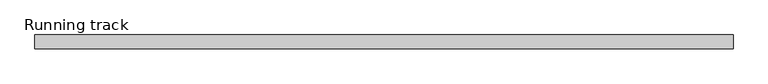
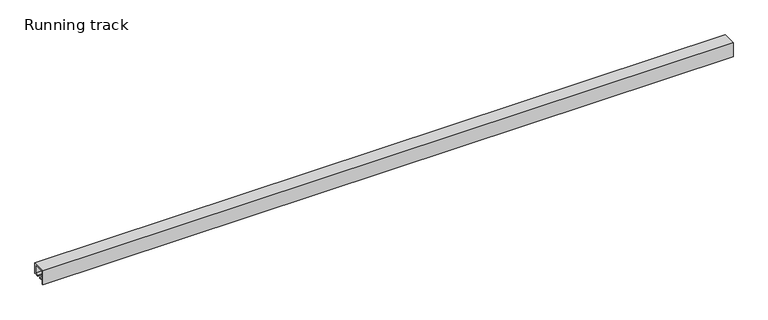
"""IFC4 building model written with IfcOpenShell, lengths in millimetres: proxy geometry, Running track."""

from ifc_helpers import new_model, si_unit, frame, origin, place, context, project, spatial, polyline, outline, extrude, source, transform, mapped, element, save


def running_track_217a9169(model_context):
    return source(origin(), model_context, "Body", "SweptSolid", [
        extrude(outline(polyline([(35.6163178, 1941.0), (35.6163178, 1907.75), (28.2663178, 1907.75), (28.2663178, 1900.05), (15.4663178, 1900.05), (15.4663178, 1941.0), (35.6163178, 1941.0)])), frame((0.0, -14.5, 0.0), z_axis=(0.0, 1.0, 0.0), x_axis=(0.0, 0.0, 1.0)), (0.0, 0.0, 1.0), 29.0),
        extrude(outline(polyline([(1941.0, 12.5), (1941.0, -12.531559), (1900.05, -12.531559), (1900.05, 12.5), (1941.0, 12.5)])), frame((0.0, 0.0, 13.4663178), z_axis=(0.0, 0.0, 1.0), x_axis=(1.0, 0.0, 0.0)), (0.0, 0.0, 1.0), 2.0),
        extrude(outline(polyline([(37.4288478, 1892.677645), (35.6163178, 1883.1605826), (37.4288478, 1869.7314459), (35.4107131, 1869.7314459), (33.5907948, 1883.2153231), (35.6163178, 1893.8507489), (35.6163178, 1941.0), (37.4288478, 1941.0), (37.4288478, 1892.677645)])), frame((0.0, -12.531559, 0.0), z_axis=(0.0, 1.0, 0.0), x_axis=(0.0, 0.0, 1.0)), (0.0, 0.0, 1.0), 25.031559),
        extrude(outline(polyline([(19.5, 41.0), (19.5, 10.4663178), (16.5, 10.4663178), (5.0, 10.4663178), (5.0, 13.4663178), (16.5, 13.4663178), (16.5, 38.0), (-16.5, 38.0), (-16.5, 13.4663178), (-5.0, 13.4663178), (-5.0, 10.5252087), (-16.5, 10.5252087), (-16.5, 0.0), (-19.5, 0.0), (-19.5, 41.0), (19.5, 41.0)])), frame((0.0, 0.0, 0.0), z_axis=(1.0, 0.0, 0.0), x_axis=(0.0, 1.0, 0.0)), (0.0, 0.0, 1.0), 1950.0),
    ])


if __name__ == "__main__":
    model = new_model("IFC4")
    model_context = context("Model", 3, world=origin())
    ifc_project = project(units=[si_unit("LENGTHUNIT", "METRE", prefix="MILLI")], contexts=[model_context])
    site = spatial("IfcSite", under=ifc_project)
    building = spatial("IfcBuilding", under=site)
    placement = place(None, origin())
    running_track_shape = running_track_217a9169(model_context)
    element("IfcBuildingElementProxy", 1, Name="Running track", ObjectType="Running track", at=placement, inside=building, context=model_context, shape_type="MappedRepresentation", body=[
        mapped(running_track_shape, transform((0.0, 0.0, 0.0), x_axis=(1.0, 0.0, 0.0), y_axis=(0.0, 1.0, 0.0), z_axis=(0.0, 0.0, 1.0))),
    ])
    save(model, "model.ifc")
